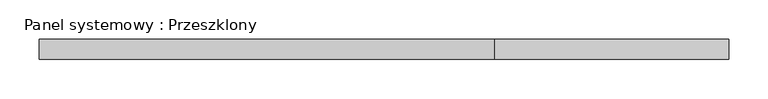
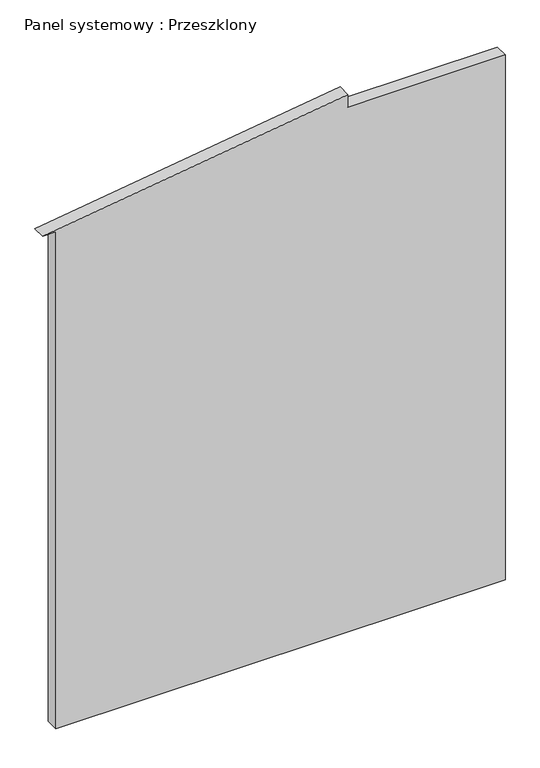
"""IFC4 building model written with IfcOpenShell, lengths in millimetres: plate geometry, Panel systemowy : Przeszklony."""

from ifc_helpers import new_model, si_unit, frame, origin, place, context, project, spatial, polyline, outline, extrude, source, transform, mapped, element, save


def panel_systemowy_przeszklony_50451884(model_context):
    return source(origin(), model_context, "Body", "SweptSolid", [
        extrude(outline(polyline([(0.0, -412.5), (0.0, 437.5), (1050.0, 437.5), (1050.0, 140.2647054), (1075.0, 140.2647054), (993.7554653, -437.5), (993.7554653, -412.5), (0.0, -412.5)])), frame((0.0, 24.5, 0.0), z_axis=(0.0, 1.0, 0.0), x_axis=(0.0, 0.0, 1.0)), (0.0, 0.0, 1.0), 25.0),
    ])


if __name__ == "__main__":
    model = new_model("IFC4")
    model_context = context("Model", 3, world=origin())
    ifc_project = project(units=[si_unit("LENGTHUNIT", "METRE", prefix="MILLI")], contexts=[model_context])
    site = spatial("IfcSite", under=ifc_project)
    building = spatial("IfcBuilding", under=site)
    placement = place(None, origin())
    panel_systemowy_przeszklony_shape = panel_systemowy_przeszklony_50451884(model_context)
    element("IfcPlate", 1, ObjectType="Panel systemowy : Przeszklony", at=placement, inside=building, context=model_context, shape_type="MappedRepresentation", body=[
        mapped(panel_systemowy_przeszklony_shape, transform((0.0, 0.0, 0.0), x_axis=(1.0, 0.0, 0.0), y_axis=(0.0, 1.0, 0.0), z_axis=(0.0, 0.0, 1.0))),
    ])
    save(model, "model.ifc")
